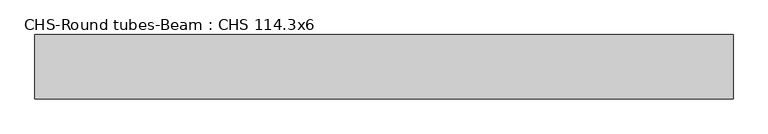
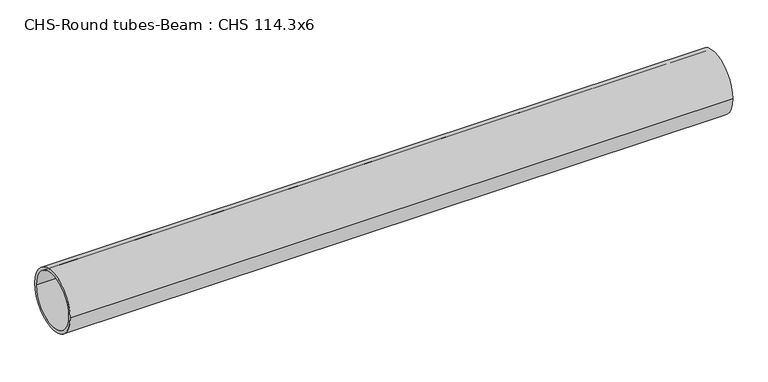
"""IFC4 building model written with IfcOpenShell, lengths in millimetres: beam geometry, CHS-Round tubes-Beam : CHS 114.3x6."""

from ifc_helpers import new_model, si_unit, point, frame, origin, origin_2d, place, context, project, spatial, circle_curve, trimmed, segment, composite_curve, outline, extrude, source, transform, mapped, element, save


def chs_round_tubes_beam_chs_114_3x6_ddcf75fa(model_context):
    return source(origin(), model_context, "Body", "SweptSolid", [
        extrude(outline(composite_curve([segment(trimmed(circle_curve(origin_2d(), 57.15), [point((57.15, 0.0))], [point((-57.15, 0.0))], False, "CARTESIAN"), True, "CONTINUOUS"), segment(trimmed(circle_curve(origin_2d(), 57.15), [point((-57.15, 0.0))], [point((57.15, 0.0))], False, "CARTESIAN"), True, "CONTINUOUS")], self_intersect=False), holes=[composite_curve([segment(trimmed(circle_curve(origin_2d(), 51.15), [point((51.15, 0.0))], [point((-51.15, 0.0))], True, "CARTESIAN"), True, "CONTINUOUS"), segment(trimmed(circle_curve(origin_2d(), 51.15), [point((-51.15, 0.0))], [point((51.15, 0.0))], True, "CARTESIAN"), True, "CONTINUOUS")], self_intersect=False)]), frame((-624.6315437, 0.0, 0.0), z_axis=(1.0, 0.0, 0.0), x_axis=(0.0, 1.0, 0.0)), (0.0, 0.0, 1.0), 1238.7590853),
    ])


if __name__ == "__main__":
    model = new_model("IFC4")
    model_context = context("Model", 3, world=origin())
    ifc_project = project(units=[si_unit("LENGTHUNIT", "METRE", prefix="MILLI")], contexts=[model_context])
    site = spatial("IfcSite", under=ifc_project)
    building = spatial("IfcBuilding", under=site)
    placement = place(None, origin())
    chs_round_tubes_beam_chs_114_3x6_shape = chs_round_tubes_beam_chs_114_3x6_ddcf75fa(model_context)
    element("IfcBeam", 1, ObjectType="CHS-Round tubes-Beam : CHS 114.3x6", at=placement, inside=building, context=model_context, shape_type="MappedRepresentation", body=[
        mapped(chs_round_tubes_beam_chs_114_3x6_shape, transform((0.0, 0.0, 0.0), x_axis=(1.0, 0.0, 0.0), y_axis=(0.0, 1.0, 0.0), z_axis=(0.0, 0.0, 1.0))),
    ])
    save(model, "model.ifc")
